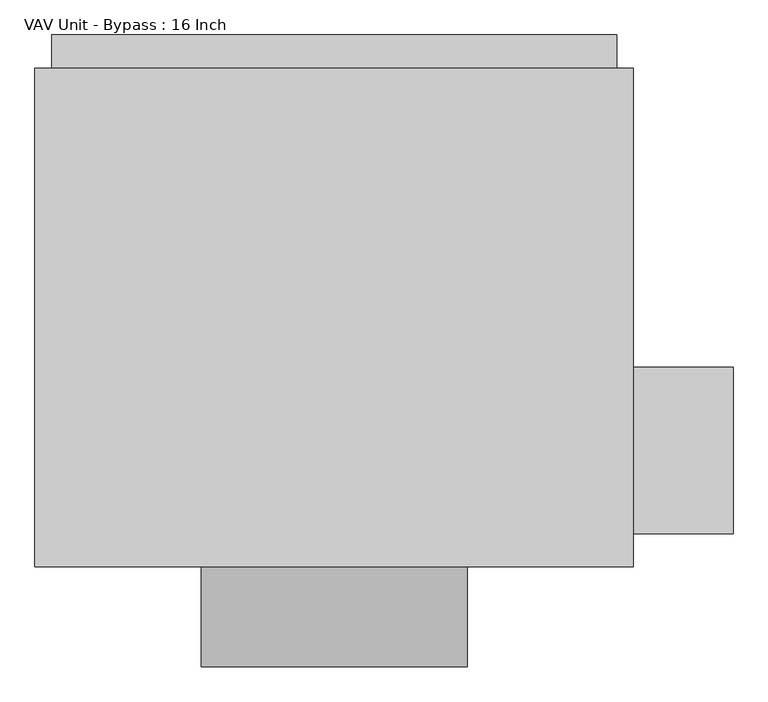
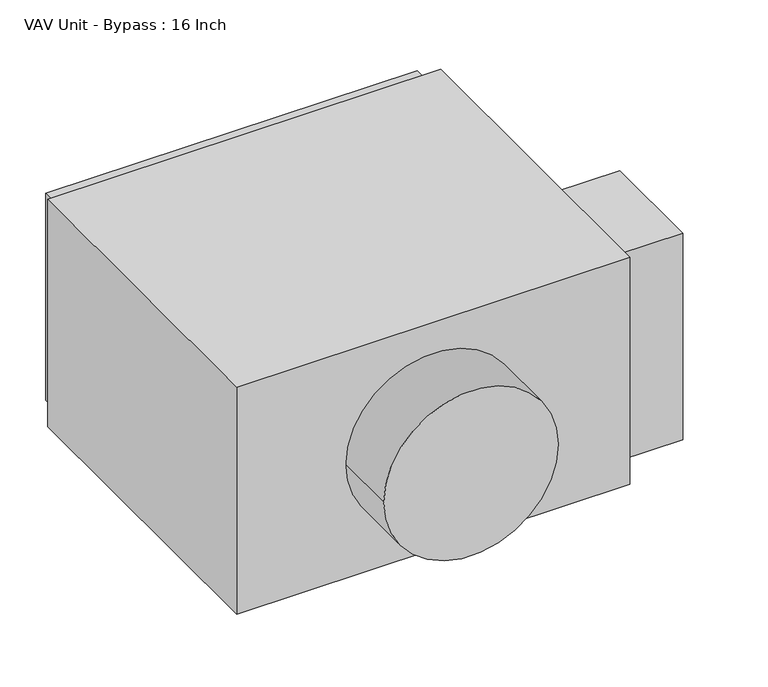
"""IFC4 building model written with IfcOpenShell, lengths in millimetres: proxy geometry, VAV Unit - Bypass : 16 Inch."""

from ifc_helpers import new_model, si_unit, point, frame, origin, origin_2d, place, context, project, spatial, polyline, circle_curve, trimmed, segment, composite_curve, outline, extrude, source, transform, mapped, element, save


def vav_unit_bypass_16_inch_5b445968(model_context):
    return source(origin(), model_context, "Body", "SweptSolid", [
        extrude(outline(polyline([(609.6, -330.2), (457.2, -330.2), (457.2, -76.2), (609.6, -76.2), (609.6, -330.2)])), frame((0.0, 0.0, -254.0), z_axis=(0.0, 0.0, 1.0), x_axis=(1.0, 0.0, 0.0)), (0.0, 0.0, 1.0), 508.0),
        extrude(outline(composite_curve([segment(trimmed(circle_curve(origin_2d(), 203.2), [point((0.0, -203.2))], [point((0.0, 203.2))], False, "CARTESIAN"), True, "CONTINUOUS"), segment(trimmed(circle_curve(origin_2d(), 203.2), [point((0.0, 203.2))], [point((0.0, -203.2))], False, "CARTESIAN"), True, "CONTINUOUS")], self_intersect=False)), frame((0.0, -533.4, 0.0), z_axis=(0.0, 1.0, 0.0), x_axis=(0.0, 0.0, 1.0)), (0.0, 0.0, 1.0), 152.4),
        extrude(outline(polyline([(431.8, 431.8), (431.8, 381.0), (-431.8, 381.0), (-431.8, 431.8), (431.8, 431.8)])), frame((0.0, 0.0, -254.0), z_axis=(0.0, 0.0, 1.0), x_axis=(1.0, 0.0, 0.0)), (0.0, 0.0, 1.0), 508.0),
        extrude(outline(polyline([(457.2, 381.0), (457.2, -381.0), (-457.2, -381.0), (-457.2, 381.0), (457.2, 381.0)])), frame((0.0, 0.0, -279.4), z_axis=(0.0, 0.0, 1.0), x_axis=(1.0, 0.0, 0.0)), (0.0, 0.0, 1.0), 558.8),
    ])


if __name__ == "__main__":
    model = new_model("IFC4")
    model_context = context("Model", 3, world=origin())
    ifc_project = project(units=[si_unit("LENGTHUNIT", "METRE", prefix="MILLI")], contexts=[model_context])
    site = spatial("IfcSite", under=ifc_project)
    building = spatial("IfcBuilding", under=site)
    placement = place(None, origin())
    vav_unit_bypass_16_inch_shape = vav_unit_bypass_16_inch_5b445968(model_context)
    element("IfcBuildingElementProxy", 1, Name="VAV Unit - Bypass : 16 Inch", ObjectType="VAV Unit - Bypass : 16 Inch", at=placement, inside=building, context=model_context, shape_type="MappedRepresentation", body=[
        mapped(vav_unit_bypass_16_inch_shape, transform((0.0, 0.0, 0.0), x_axis=(1.0, 0.0, 0.0), y_axis=(0.0, 1.0, 0.0), z_axis=(0.0, 0.0, 1.0))),
    ])
    save(model, "model.ifc")
